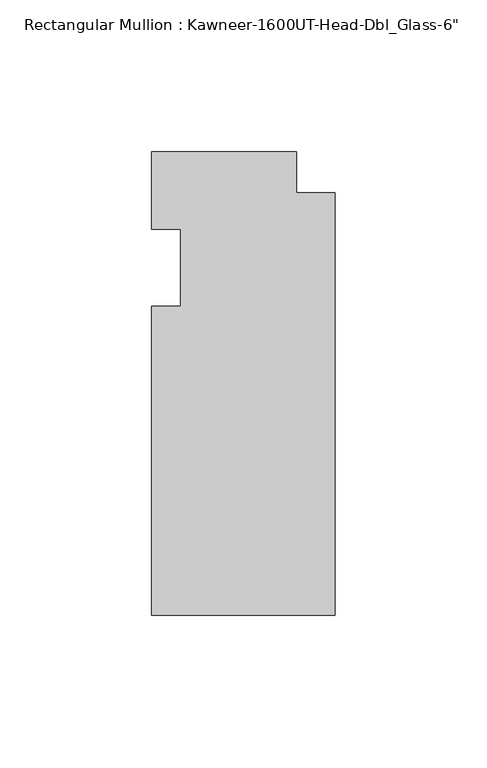
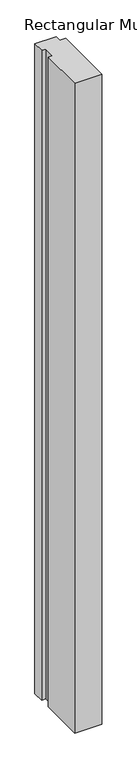
"""IFC4 building model written with IfcOpenShell, lengths in millimetres: member geometry."""

from ifc_helpers import new_model, si_unit, frame, origin, place, context, project, spatial, polyline, outline, extrude, source, transform, mapped, element, save


def member_88428811(model_context):
    return source(origin(), model_context, "Body", "SweptSolid", [
        extrude(outline(polyline([(-60.325, -12.7), (-50.8, -12.7), (-50.8, 12.7), (-60.325, 12.7), (-60.325, 38.1), (-12.7, 38.1), (-12.7, 24.60625), (0.0, 24.60625), (0.0, -114.3), (-60.325, -114.3), (-60.325, -12.7)])), frame((0.0, 0.0, -1524.0), z_axis=(0.0, 0.0, 1.0), x_axis=(1.0, 0.0, 0.0)), (0.0, 0.0, 1.0), 1524.0),
    ])


if __name__ == "__main__":
    model = new_model("IFC4")
    model_context = context("Model", 3, world=origin())
    ifc_project = project(units=[si_unit("LENGTHUNIT", "METRE", prefix="MILLI")], contexts=[model_context])
    site = spatial("IfcSite", under=ifc_project)
    building = spatial("IfcBuilding", under=site)
    placement = place(None, origin())
    member_shape = member_88428811(model_context)
    element("IfcMember", 1, ObjectType="Rectangular Mullion : Kawneer-1600UT-Head-Dbl_Glass-6\"", at=placement, inside=building, context=model_context, shape_type="MappedRepresentation", body=[
        mapped(member_shape, transform((0.0, 0.0, 0.0), x_axis=(1.0, 0.0, 0.0), y_axis=(0.0, 1.0, 0.0), z_axis=(0.0, 0.0, 1.0))),
    ])
    save(model, "model.ifc")
